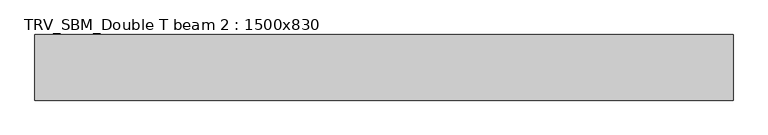
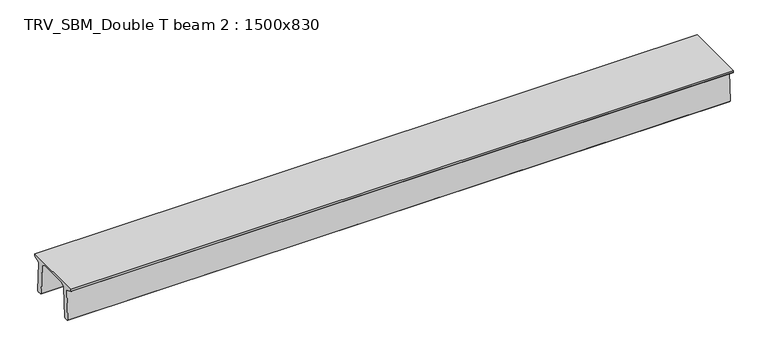
"""IFC4 building model written with IfcOpenShell, lengths in millimetres: beam geometry, TRV_SBM_Double T beam 2 : 1500x830."""

from ifc_helpers import new_model, si_unit, frame, origin, place, context, project, spatial, polyline, outline, extrude, source, transform, mapped, element, save


def trv_sbm_double_t_beam_2_1500x830_8e906b55(model_context):
    return source(origin(), model_context, "Body", "SweptSolid", [
        extrude(outline(polyline([(337.4555014, 470.0), (-343.4555014, 470.0), (-456.5828437, 409.8491251), (-494.786332, -340.5206011), (-514.2657308, -360.0), (-604.2657308, -360.0), (-624.8277662, -339.4379646), (-586.9373878, 401.9654693), (-752.8511046, 468.9989621), (-753.0, 475.0), (-753.0, 520.0), (747.0, 520.0), (747.0, 475.0), (746.8511046, 468.9989621), (580.9373878, 401.9654693), (618.8277662, -339.4379646), (598.2657308, -360.0), (508.2657308, -360.0), (488.786332, -340.5206011), (450.5828437, 409.8491251), (337.4555014, 470.0)])), frame((-7977.5, 0.0, 0.0), z_axis=(1.0, 0.0, 0.0), x_axis=(0.0, 1.0, 0.0)), (0.0, 0.0, 1.0), 15955.0),
    ])


if __name__ == "__main__":
    model = new_model("IFC4")
    model_context = context("Model", 3, world=origin())
    ifc_project = project(units=[si_unit("LENGTHUNIT", "METRE", prefix="MILLI")], contexts=[model_context])
    site = spatial("IfcSite", under=ifc_project)
    building = spatial("IfcBuilding", under=site)
    placement = place(None, origin())
    trv_sbm_double_t_beam_2_1500x830_shape = trv_sbm_double_t_beam_2_1500x830_8e906b55(model_context)
    element("IfcBeam", 1, ObjectType="TRV_SBM_Double T beam 2 : 1500x830", at=placement, inside=building, context=model_context, shape_type="MappedRepresentation", body=[
        mapped(trv_sbm_double_t_beam_2_1500x830_shape, transform((0.0, 0.0, 0.0), x_axis=(1.0, 0.0, 0.0), y_axis=(0.0, 1.0, 0.0), z_axis=(0.0, 0.0, 1.0))),
    ])
    save(model, "model.ifc")
